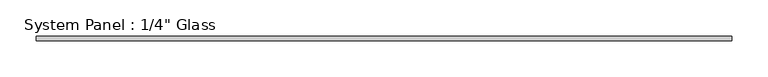
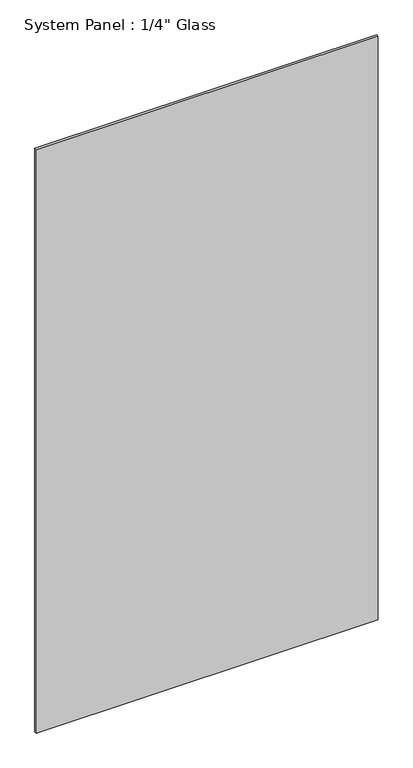
"""IFC4 building model written with IfcOpenShell, lengths in millimetres: plate geometry."""

from ifc_helpers import new_model, si_unit, origin, origin_with_axes, place, context, project, spatial, polyline, outline, extrude, source, transform, mapped, element, save


def plate_92e8d28e(model_context):
    return source(origin(), model_context, "Body", "SweptSolid", [
        extrude(outline(polyline([(482.6, -3.175), (-482.6, -3.175), (-482.6, 3.175), (482.6, 3.175), (482.6, -3.175)])), origin_with_axes(), (0.0, 0.0, 1.0), 1739.9),
    ])


if __name__ == "__main__":
    model = new_model("IFC4")
    model_context = context("Model", 3, world=origin())
    ifc_project = project(units=[si_unit("LENGTHUNIT", "METRE", prefix="MILLI")], contexts=[model_context])
    site = spatial("IfcSite", under=ifc_project)
    building = spatial("IfcBuilding", under=site)
    placement = place(None, origin())
    plate_shape = plate_92e8d28e(model_context)
    element("IfcPlate", 1, ObjectType="System Panel : 1/4\" Glass", at=placement, inside=building, context=model_context, shape_type="MappedRepresentation", body=[
        mapped(plate_shape, transform((0.0, 0.0, 0.0), x_axis=(1.0, 0.0, 0.0), y_axis=(0.0, 1.0, 0.0), z_axis=(0.0, 0.0, 1.0))),
    ])
    save(model, "model.ifc")
